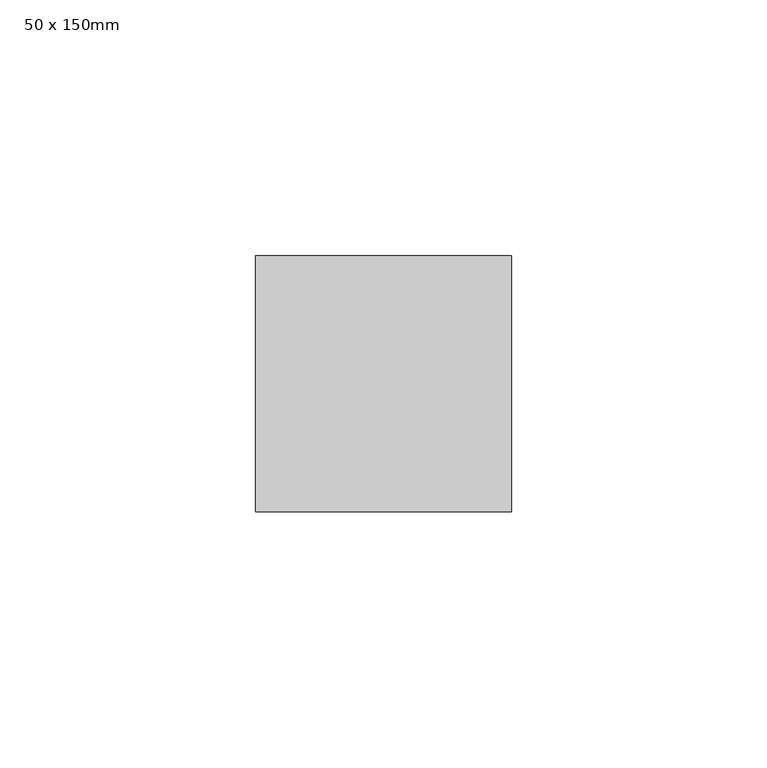
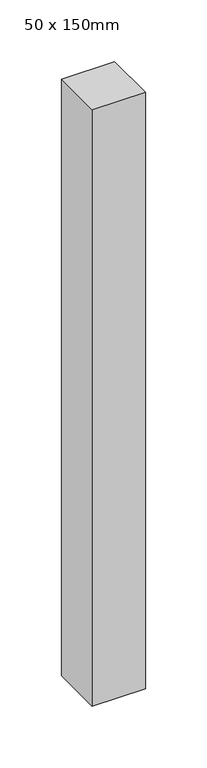
"""IFC4 building model written with IfcOpenShell, lengths in millimetres: member geometry, 50 x 150mm."""

from ifc_helpers import new_model, si_unit, frame, origin, place, context, project, spatial, polyline, outline, extrude, source, transform, mapped, element, save


def member_50_x_150mm_dff7d6d1(model_context):
    return source(origin(), model_context, "Body", "SweptSolid", [
        extrude(outline(polyline([(25.0, 25.0), (25.0, -25.0), (-25.0, -25.0), (-25.0, 25.0), (25.0, 25.0)])), frame((0.0, 0.0, -591.3775884), z_axis=(0.0, 0.0, 1.0), x_axis=(1.0, 0.0, 0.0)), (0.0, 0.0, 1.0), 591.3775884),
    ])


if __name__ == "__main__":
    model = new_model("IFC4")
    model_context = context("Model", 3, world=origin())
    ifc_project = project(units=[si_unit("LENGTHUNIT", "METRE", prefix="MILLI")], contexts=[model_context])
    site = spatial("IfcSite", under=ifc_project)
    building = spatial("IfcBuilding", under=site)
    placement = place(None, origin())
    member_50_x_150mm_shape = member_50_x_150mm_dff7d6d1(model_context)
    element("IfcMember", 1, ObjectType="50 x 150mm", at=placement, inside=building, context=model_context, shape_type="MappedRepresentation", body=[
        mapped(member_50_x_150mm_shape, transform((0.0, 0.0, 0.0), x_axis=(1.0, 0.0, 0.0), y_axis=(0.0, 1.0, 0.0), z_axis=(0.0, 0.0, 1.0))),
    ])
    save(model, "model.ifc")
